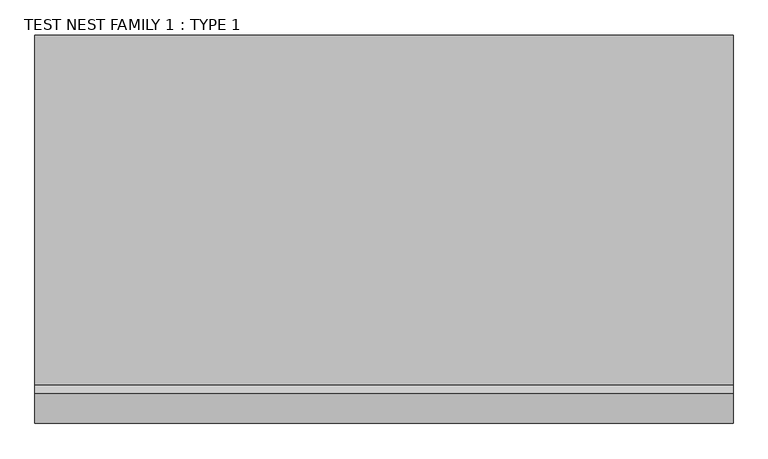
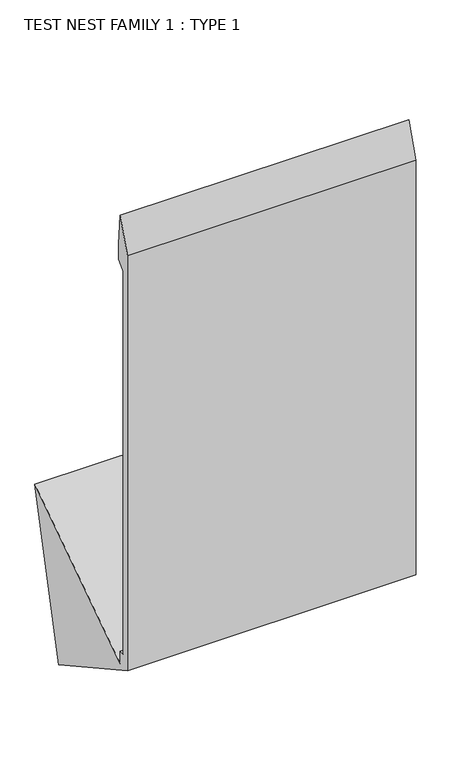
"""IFC4 building model written with IfcOpenShell, lengths in millimetres: plate geometry, TEST NEST FAMILY 1 : TYPE 1."""

import ifcopenshell
import ifcopenshell.guid

model = None  # the IFC model being written
_history = None  # IfcOwnerHistory: only IFC2X3 demands one
_inside = {}  # id of a spatial element -> (the spatial element, [elements in it])
_under = {}  # id of a project, library or spatial element -> (it, [spatial elements below it])
_declared = {}  # id of a project -> (the project, [libraries it declares])
_typed = {}  # id of a type object -> (the type object, [elements of that type])
_made_of = {}  # id of a material, layer set ... -> (it, [elements and type objects made of it])


def new_model(schema):
    """Start an empty IFC model of exactly this schema.

    Asked for "IFC4X3", IfcOpenShell would pick the latest addendum, in which some entities
    have other attributes; the version numbers below select the first issue.
    IFC2X3 requires an IfcOwnerHistory on every rooted entity: one is made here for all.
    """
    global model, _history
    if schema == "IFC4X3":
        model = ifcopenshell.file(schema_version=(4, 3, 0, 0))
    else:
        model = ifcopenshell.file(schema=schema)
    _inside.clear()
    _under.clear()
    _declared.clear()
    _typed.clear()
    _made_of.clear()
    _history = None
    if model.schema == "IFC2X3":
        org = make("IfcOrganization", Name="unknown")
        user = make(
            "IfcPersonAndOrganization",
            ThePerson=make("IfcPerson", FamilyName="unknown"),
            TheOrganization=org,
        )
        app = make(
            "IfcApplication",
            ApplicationDeveloper=org,
            Version="unknown",
            ApplicationFullName="unknown",
            ApplicationIdentifier="unknown",
        )
        _history = make(
            "IfcOwnerHistory",
            OwningUser=user,
            OwningApplication=app,
            ChangeAction="ADDED",
            CreationDate=0,
        )
    return model


def make(cls, **values):
    """One entity of the class cls with the attributes given. An attribute that is None is left unset."""
    return model.create_entity(
        cls, **{name: value for name, value in values.items() if value is not None}
    )


def rooted(cls, **values):
    """An entity with a GlobalId (a new one), such as an element, a storey or a relation."""
    return make(cls, GlobalId=ifcopenshell.guid.new(), OwnerHistory=_history, **values)


def si_unit(unit_type, name, prefix=None):
    """IfcSIUnit, for example si_unit("LENGTHUNIT", "METRE", prefix="MILLI")."""
    return make("IfcSIUnit", UnitType=unit_type, Prefix=prefix, Name=name)


def assignment(units):
    """IfcUnitAssignment: the units of a project."""
    return None if units is None else make("IfcUnitAssignment", Units=units)


def point(xyz):
    """IfcCartesianPoint."""
    return None if xyz is None else make("IfcCartesianPoint", Coordinates=xyz)


def direction(xyz):
    """IfcDirection."""
    return None if xyz is None else make("IfcDirection", DirectionRatios=xyz)


def frame(location, z_axis=None, x_axis=None):
    """IfcAxis2Placement3D, a coordinate frame: its origin and axes. An axis left out is left unset."""
    return make(
        "IfcAxis2Placement3D",
        Location=point(location),
        Axis=direction(z_axis),
        RefDirection=direction(x_axis),
    )


def origin():
    """The frame at (0, 0, 0) with its axes left unset."""
    return frame((0.0, 0.0, 0.0))


def place(relative_to, where):
    """IfcLocalPlacement: puts the frame where relative to a parent placement (None: the world)."""
    return make(
        "IfcLocalPlacement", PlacementRelTo=relative_to, RelativePlacement=where
    )


def context(
    kind, dimensions, precision=None, world=None, true_north=None, identifier=None
):
    """IfcGeometricRepresentationContext, for example the 3D "Model" context."""
    return make(
        "IfcGeometricRepresentationContext",
        ContextIdentifier=identifier,
        ContextType=kind,
        CoordinateSpaceDimension=dimensions,
        Precision=precision,
        WorldCoordinateSystem=world,
        TrueNorth=true_north,
    )


def project(units=None, contexts=None):
    """IfcProject with its units and contexts."""
    return rooted(
        "IfcProject",
        Name="project",
        RepresentationContexts=contexts,
        UnitsInContext=assignment(units),
    )


def spatial(cls, under=None, at=None, **own):
    """A site, building, storey or space (cls), placed at a placement, below another one or the project."""
    s = rooted(cls, ObjectPlacement=at, **own)
    if under is not None:
        _under.setdefault(under.id(), (under, []))[1].append(s)
    return s


def polyline(points):
    """IfcPolyline through the points."""
    return make("IfcPolyline", Points=[point(p) for p in points])


def outline(outer, holes=None, kind="AREA"):
    """IfcArbitraryClosedProfileDef: a profile drawn as a closed curve; with holes, ...WithVoids."""
    if holes is None:
        return make("IfcArbitraryClosedProfileDef", ProfileType=kind, OuterCurve=outer)
    return make(
        "IfcArbitraryProfileDefWithVoids",
        ProfileType=kind,
        OuterCurve=outer,
        InnerCurves=holes,
    )


def extrude(swept, where, along, depth):
    """IfcExtrudedAreaSolid: the profile swept, set in the frame where, extruded along a direction by depth."""
    return make(
        "IfcExtrudedAreaSolid",
        SweptArea=swept,
        Position=where,
        ExtrudedDirection=direction(along),
        Depth=depth,
    )


def shape(context_of_items, identifier, shape_type, items):
    """IfcShapeRepresentation: the items that make up one representation, for example the "Body"."""
    return make(
        "IfcShapeRepresentation",
        ContextOfItems=context_of_items,
        RepresentationIdentifier=identifier,
        RepresentationType=shape_type,
        Items=items,
    )


def source(mapping_origin, context_of_items, identifier, shape_type, items):
    """IfcRepresentationMap: a shape defined once, which mapped items show again and again."""
    return make(
        "IfcRepresentationMap",
        MappingOrigin=mapping_origin,
        MappedRepresentation=shape(context_of_items, identifier, shape_type, items),
    )


def transform(
    local_origin,
    x_axis=None,
    y_axis=None,
    z_axis=None,
    scale=None,
    scale2=None,
    scale3=None,
    uniform=True,
):
    """IfcCartesianTransformationOperator3D, or its non-uniform kind. x_axis, y_axis, z_axis: its Axis1, 2, 3."""
    if uniform:
        return make(
            "IfcCartesianTransformationOperator3D",
            Axis1=direction(x_axis),
            Axis2=direction(y_axis),
            LocalOrigin=point(local_origin),
            Scale=scale,
            Axis3=direction(z_axis),
        )
    return make(
        "IfcCartesianTransformationOperator3DnonUniform",
        Axis1=direction(x_axis),
        Axis2=direction(y_axis),
        LocalOrigin=point(local_origin),
        Scale=scale,
        Axis3=direction(z_axis),
        Scale2=scale2,
        Scale3=scale3,
    )


def mapped(mapping_source, mapping_target):
    """IfcMappedItem: shows the shape of a source again, moved by a transform."""
    return make(
        "IfcMappedItem", MappingSource=mapping_source, MappingTarget=mapping_target
    )


def made_of(thing, what):
    """Note that an element or type object is made of a material, layer set ...; save() writes the relation."""
    if what is not None:
        _made_of.setdefault(what.id(), (what, []))[1].append(thing)
    return thing


def element(
    cls,
    number,
    at=None,
    inside=None,
    cuts=None,
    type_object=None,
    material=None,
    context=None,
    identifier="Body",
    shape_type=None,
    held_by="IfcProductDefinitionShape",
    body=None,
    shapes=None,
    **own,
):
    """One element of the class cls, such as IfcWall. Its Tag is "e" and its number.

    at: its placement. inside: the storey or other place that contains it. cuts: it is an
    opening in that element (IfcRelVoidsElement). A single representation is given by context,
    identifier, shape_type and body (its items); several are given by shapes. held_by: the class
    of the entity that holds the representations. save() writes the other relations.
    """
    e = rooted(cls, Tag="e%d" % number, ObjectPlacement=at, **own)
    if body is not None:
        shapes = [shape(context, identifier, shape_type, body)]
    if shapes is not None:
        e.Representation = make(held_by, Representations=shapes)
    if inside is not None:
        _inside.setdefault(inside.id(), (inside, []))[1].append(e)
    if cuts is not None:
        rooted(
            "IfcRelVoidsElement", RelatingBuildingElement=cuts, RelatedOpeningElement=e
        )
    if type_object is not None:
        _typed.setdefault(type_object.id(), (type_object, []))[1].append(e)
    return made_of(e, material)


def aggregate(whole, parts):
    """IfcRelAggregates: a whole, such as a stair, and the parts it consists of."""
    return rooted("IfcRelAggregates", RelatingObject=whole, RelatedObjects=parts)


def save(model, path):
    """Write the relations noted so far, then the file.

    IfcRelAggregates (storeys below a building ...), IfcRelContainedInSpatialStructure (elements
    in a storey), IfcRelDefinesByType, IfcRelAssociatesMaterial and IfcRelDeclares: one each for
    every whole, place, type object, material and project.
    """
    for whole, parts in _under.values():
        aggregate(whole, parts)
    for where, things in _inside.values():
        rooted(
            "IfcRelContainedInSpatialStructure",
            RelatedElements=things,
            RelatingStructure=where,
        )
    for kind, things in _typed.values():
        rooted("IfcRelDefinesByType", RelatedObjects=things, RelatingType=kind)
    for what, things in _made_of.values():
        rooted("IfcRelAssociatesMaterial", RelatedObjects=things, RelatingMaterial=what)
    for by, libraries in _declared.values():
        rooted("IfcRelDeclares", RelatingContext=by, RelatedDefinitions=libraries)
    model.write(path)


def test_nest_family_1_type_1_3cd9514c(model_context):
    return source(origin(), model_context, "Body", "SweptSolid", [
        extrude(outline(polyline([(-228.6, 122.5973333), (-183.5573333, 122.5973333), (-183.5573333, -5.1972883), (1249.8107588, 961.6216977), (850.3977092, -640.3365464), (-304.8, 0.0), (-304.8, 4241.8), (-183.9924308, 4583.1243079), (-152.4, 4267.2), (-152.4, 4114.8), (-228.6, 4038.6), (-228.6, 122.5973333)])), frame((-1778.0, 0.0, 0.0), z_axis=(1.0, 0.0, 0.0), x_axis=(0.0, 1.0, 0.0)), (0.0, 0.0, 1.0), 2794.0),
    ])


if __name__ == "__main__":
    model = new_model("IFC4")
    model_context = context("Model", 3, world=origin())
    ifc_project = project(units=[si_unit("LENGTHUNIT", "METRE", prefix="MILLI")], contexts=[model_context])
    site = spatial("IfcSite", under=ifc_project)
    building = spatial("IfcBuilding", under=site)
    placement = place(None, origin())
    test_nest_family_1_type_1_shape = test_nest_family_1_type_1_3cd9514c(model_context)
    element("IfcPlate", 1, ObjectType="TEST NEST FAMILY 1 : TYPE 1", at=placement, inside=building, context=model_context, shape_type="MappedRepresentation", body=[
        mapped(test_nest_family_1_type_1_shape, transform((0.0, 0.0, 0.0), x_axis=(1.0, 0.0, 0.0), y_axis=(0.0, 1.0, 0.0), z_axis=(0.0, 0.0, 1.0))),
    ])
    save(model, "model.ifc")
